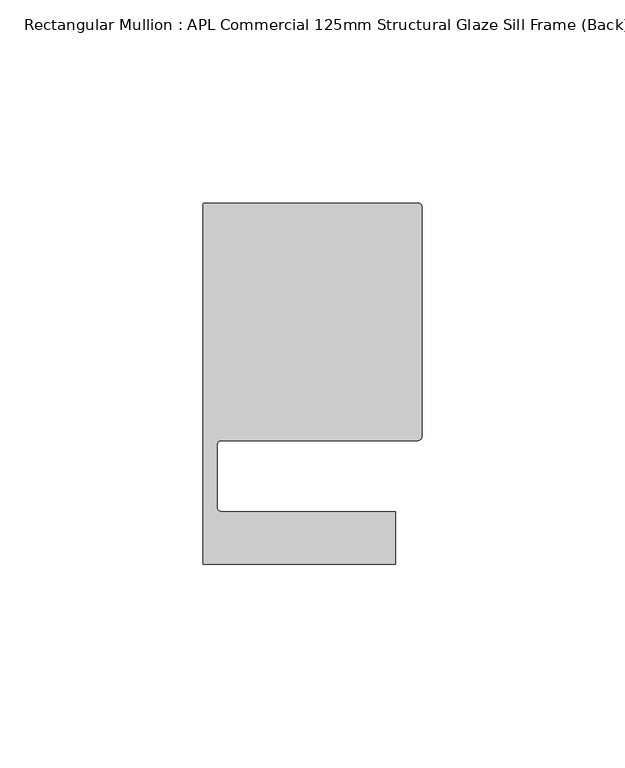
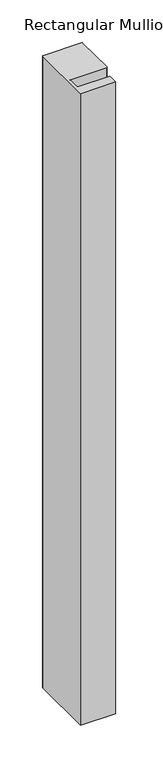
"""IFC4 building model written with IfcOpenShell, lengths in millimetres: member geometry, Rectangular Mullion : APL Commercial 125mm Structural Glaze Sill Frame (Back)."""

from ifc_helpers import new_model, si_unit, frame, origin, place, context, project, spatial, polyline, circle_curve, source, transform, mapped, element, save
from ifc_brep_helpers import plane_surface, cylinder_surface, revolved_surface, advanced_brep


def rectangular_mullion_apl_commercial_125mm_structural_glaze_8a5e242e(model_context):
    return source(origin(), model_context, "Body", "AdvancedBrep", [
        advanced_brep(
        [(-53.5000029, 104.0, 0.0), (-54.0000029, 103.5, 0.0), (-54.0000029, 15.0004332, 0.0), (-6.5000029, 15.0004332, 0.0), (-6.5000029, 28.0004332, 0.0), (-49.5000029, 28.0004332, 0.0), (-50.5000029, 29.0004332, 0.0), (-50.5000029, 44.5010268, 0.0), (-49.5000004, 45.5010268, 0.0), (-1.0, 45.5010268, 0.0), (0.0, 46.5010268, 0.0), (0.0, 103.0, 0.0), (-1.0000025, 104.0, 0.0), (-53.5000029, 104.0, -904.6388667), (-1.0000025, 104.0, -904.6388667), (-2.5e-06, 103.0, -904.6388667), (0.0, 46.5010268, -904.6388667), (-1.0, 45.5010268, -904.6388667), (-49.5000004, 45.5010268, -904.6388667), (-50.5000004, 44.5010268, -904.6388667), (-50.5000029, 29.0004332, -904.6388667), (-49.5000029, 28.0004332, -904.6388667), (-6.5000029, 28.0004332, -904.6388667), (-6.5000029, 15.0004332, -904.6388667), (-54.0000029, 15.0004332, -904.6388667), (-54.0000029, 103.5, -904.6388667)],
        [
            (0, 1, circle_curve(frame((-53.5000029, 103.5, 0.0), z_axis=(0.0, 0.0, 1.0), x_axis=(0.0, 1.0, 0.0)), 0.5)),
            (1, 2),
            (2, 3),
            (3, 4),
            (4, 5),
            (5, 6, circle_curve(frame((-49.5000029, 29.0004332, 0.0), z_axis=(0.0, 0.0, -1.0), x_axis=(0.0, -1.0, 0.0)), 1.0)),
            (6, 7),
            (7, 8, circle_curve(frame((-49.5000004, 44.5010268, 0.0), z_axis=(0.0, 0.0, -1.0), x_axis=(-0.9999999999998819, 4.863123717036027e-07, 0.0)), 1.0)),
            (8, 9),
            (9, 10, circle_curve(frame((-1.0, 46.5010268, 0.0), z_axis=(0.0, 0.0, 1.0), x_axis=(0.0, -1.0, 0.0)), 1.0)),
            (10, 11),
            (11, 12, circle_curve(frame((-1.0000025, 103.0, 0.0), z_axis=(0.0, 0.0, 1.0), x_axis=(0.9999999999996143, 8.78371761103865e-07, 0.0)), 1.0)),
            (12, 0),
            (13, 14),
            (14, 15, circle_curve(frame((-1.0000025, 103.0, -904.6388667), z_axis=(0.0, 0.0, -1.0), x_axis=(0.9999999999996143, 8.78371761103865e-07, 0.0)), 1.0)),
            (15, 16),
            (16, 17, circle_curve(frame((-1.0, 46.5010268, -904.6388667), z_axis=(0.0, 0.0, -1.0), x_axis=(0.0, -1.0, 0.0)), 1.0)),
            (17, 18),
            (18, 19, circle_curve(frame((-49.5000004, 44.5010268, -904.6388667), z_axis=(0.0, 0.0, 1.0), x_axis=(-0.9999999999998819, 4.863123717036027e-07, 0.0)), 1.0)),
            (19, 20),
            (20, 21, circle_curve(frame((-49.5000029, 29.0004332, -904.6388667), z_axis=(0.0, 0.0, 1.0), x_axis=(0.0, -1.0, 0.0)), 1.0)),
            (21, 22),
            (22, 23),
            (23, 24),
            (24, 25),
            (25, 13, circle_curve(frame((-53.5000029, 103.5, -904.6388667), z_axis=(0.0, 0.0, -1.0), x_axis=(0.0, 1.0, 0.0)), 0.5)),
            (0, 13),
            (25, 1),
            (24, 2),
            (23, 3),
            (22, 4),
            (21, 5),
            (20, 6),
            (19, 7),
            (18, 8),
            (17, 9),
            (16, 10),
            (15, 11),
            (14, 12),
        ],
        [
            plane_surface(frame((0.0, -116.986179, 0.0), z_axis=(0.0, 0.0, 1.0), x_axis=(-1.0, 0.0, 0.0))),
            plane_surface(frame((0.0, -116.986179, -904.6388667), z_axis=(0.0, 0.0, -1.0), x_axis=(-1.0, 0.0, 0.0))),
            cylinder_surface(frame((-53.5000029, 103.5, 0.0), z_axis=(0.0, 0.0, 1.0), x_axis=(0.0, 1.0, 0.0)), 0.5),
            plane_surface(frame((-54.0000029, 103.5, 0.0), z_axis=(-1.0, 0.0, 0.0), x_axis=(0.0, 0.0, -1.0))),
            plane_surface(frame((-54.0000029, 15.0004332, 0.0), z_axis=(0.0, -1.0, 0.0), x_axis=(0.0, 0.0, -1.0))),
            plane_surface(frame((-6.5000029, 15.0004332, 0.0), z_axis=(1.0, 0.0, 0.0), x_axis=(0.0, 0.0, -1.0))),
            plane_surface(frame((-6.5000029, 28.0004332, 0.0), z_axis=(0.0, 1.0, 0.0), x_axis=(0.0, 0.0, -1.0))),
            revolved_surface(polyline([(-49.5000029, 28.0004332, -904.6388667), (-49.5000029, 28.0004332, 0.0)]), (-49.5000029, 29.0004332, 0.0), (0.0, 0.0, -1.0)),
            plane_surface(frame((-50.5000029, 29.0004332, 0.0), z_axis=(1.0, 0.0, 0.0), x_axis=(0.0, 0.0, -1.0))),
            revolved_surface(polyline([(-50.50000039999988, 44.50102728631237, -904.6388667000004), (-50.50000039999988, 44.50102728631237, 0.0)]), (-49.5000004, 44.5010268, 0.0), (0.0, 0.0, -1.0000000000000002)),
            plane_surface(frame((-49.5000004, 45.5010268, 0.0), z_axis=(0.0, -1.0, 0.0), x_axis=(0.0, 0.0, -1.0))),
            cylinder_surface(frame((-1.0, 46.5010268, 0.0), z_axis=(0.0, 0.0, 1.0), x_axis=(0.0, -1.0, 0.0)), 1.0),
            plane_surface(frame((0.0, 46.5010268, 0.0), z_axis=(1.0, 0.0, 0.0), x_axis=(0.0, 0.0, -1.0))),
            cylinder_surface(frame((-1.0000025, 103.0, 0.0), z_axis=(0.0, 0.0, 1.0000000000000002), x_axis=(0.9999999999996143, 8.78371761103865e-07, 0.0)), 1.0),
            plane_surface(frame((-1.0000025, 104.0, 0.0), z_axis=(0.0, 1.0, 0.0), x_axis=(0.0, 0.0, -1.0))),
        ],
        [
            (0, [[1, 2, 3, 4, 5, 6, 7, 8, 9, 10, 11, 12, 13]]),
            (1, [[14, 15, 16, 17, 18, 19, 20, 21, 22, 23, 24, 25, 26]]),
            (2, [[-1, 27, -26, 28]]),
            (3, [[-2, -28, -25, 29]]),
            (4, [[-3, -29, -24, 30]]),
            (5, [[-4, -30, -23, 31]]),
            (6, [[-5, -31, -22, 32]]),
            (7, [[-6, -32, -21, 33]]),
            (8, [[-7, -33, -20, 34]]),
            (9, [[-8, -34, -19, 35]]),
            (10, [[-9, -35, -18, 36]]),
            (11, [[-10, -36, -17, 37]]),
            (12, [[-11, -37, -16, 38]]),
            (13, [[-12, -38, -15, 39]]),
            (14, [[-13, -39, -14, -27]]),
        ],
    ),
    ])


if __name__ == "__main__":
    model = new_model("IFC4")
    model_context = context("Model", 3, world=origin())
    ifc_project = project(units=[si_unit("LENGTHUNIT", "METRE", prefix="MILLI")], contexts=[model_context])
    site = spatial("IfcSite", under=ifc_project)
    building = spatial("IfcBuilding", under=site)
    placement = place(None, origin())
    rectangular_mullion_apl_commercial_125mm_structural_glaze_shape = rectangular_mullion_apl_commercial_125mm_structural_glaze_8a5e242e(model_context)
    element("IfcMember", 1, ObjectType="Rectangular Mullion : APL Commercial 125mm Structural Glaze Sill Frame (Back)", at=placement, inside=building, context=model_context, shape_type="MappedRepresentation", body=[
        mapped(rectangular_mullion_apl_commercial_125mm_structural_glaze_shape, transform((0.0, 0.0, 0.0), x_axis=(1.0, 0.0, 0.0), y_axis=(0.0, 1.0, 0.0), z_axis=(0.0, 0.0, 1.0))),
    ])
    save(model, "model.ifc")
